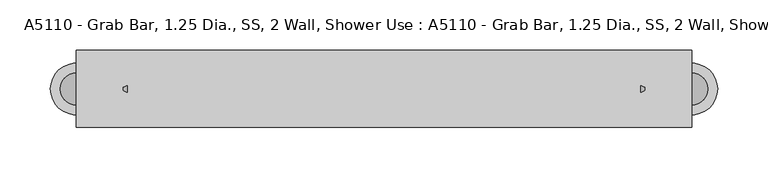
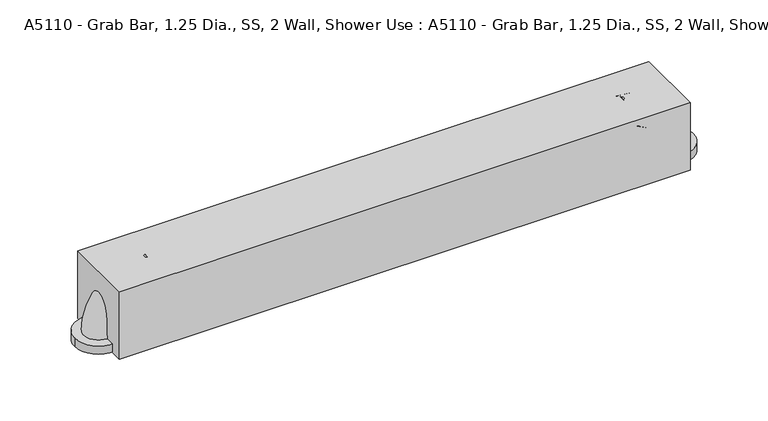
"""IFC4 building model written with IfcOpenShell, lengths in millimetres: proxy geometry, A5110 - Grab Bar, 1.25 Dia., SS, 2 Wall, Shower Use : A5110 - Grab Bar, 1.25 Dia., SS, 2 Wall, Shower Use."""

from ifc_helpers import new_model, si_unit, point, frame, frame_2d, origin, origin_with_axes, place, context, project, spatial, polyline, circle_curve, ellipse_curve, trimmed, segment, composite_curve, outline, extrude, source, transform, mapped, element, save
from ifc_brep_helpers import plane_surface, revolved_surface, advanced_brep


def a5110_grab_bar_1_25_dia_ss_2_wall_shower_use_a5110_grab_bar_766d70a6(model_context):
    return source(origin(), model_context, "Body", "SolidModel", [
        advanced_brep(
        [(254.0, -15.875, 60.325), (254.0, 15.875, 60.325), (304.8, -15.875, 9.525), (304.8, 15.875, 9.525)],
        [
            (0, 1, circle_curve(frame((254.0, 0.0, 60.325), z_axis=(-1.0, 0.0, 0.0), x_axis=(0.0, 1.0, 0.0)), 15.875)),
            (1, 0, circle_curve(frame((254.0, 0.0, 60.325), z_axis=(-1.0, 0.0, 0.0), x_axis=(0.0, 1.0, 0.0)), 15.875)),
            (2, 3, circle_curve(frame((304.8, 0.0, 9.525), z_axis=(0.0, 0.0, -1.0), x_axis=(0.0, 1.0, 0.0)), 15.875)),
            (3, 2, circle_curve(frame((304.8, 0.0, 9.525), z_axis=(0.0, 0.0, -1.0), x_axis=(0.0, 1.0, 0.0)), 15.875)),
            (3, 1, circle_curve(frame((254.0, 15.875, 9.525), z_axis=(0.0, -1.0, 0.0), x_axis=(0.0, 0.0, 1.0)), 50.8)),
            (0, 2, circle_curve(frame((254.0, -15.875, 9.525), z_axis=(0.0, 1.0, 0.0), x_axis=(0.0, 0.0, 1.0)), 50.8)),
        ],
        [
            plane_surface(frame((254.0, 0.0, 60.325), z_axis=(-1.0, 0.0, 0.0), x_axis=(0.0, 1.0, 0.0))),
            plane_surface(frame((304.8, 0.0, 9.525), z_axis=(0.0, 0.0, -1.0), x_axis=(0.0, 1.0, 0.0))),
            revolved_surface(trimmed(ellipse_curve(frame((254.0, 0.0, 60.325), z_axis=(-1.0, 0.0, 0.0), x_axis=(0.0, 1.0, 0.0)), 15.875, 15.875), [point((254.0, -15.875, 60.325))], [point((254.0, 15.875, 60.325))], True, "CARTESIAN"), (254.0, 0.0, 9.525), (0.0, 1.0, 0.0)),
            revolved_surface(trimmed(ellipse_curve(frame((254.0, 0.0, 60.325), z_axis=(-1.0, 0.0, 0.0), x_axis=(0.0, 1.0, 0.0)), 15.875, 15.875), [point((254.0, 15.875, 60.325))], [point((254.0, -15.875, 60.325))], True, "CARTESIAN"), (254.0, 0.0, 9.525), (0.0, 1.0, 0.0)),
        ],
        [
            (0, [[1, 2]]),
            (1, [[3, 4]]),
            (2, [[5, -1, 6, -4]]),
            (3, [[-6, -2, -5, -3]]),
        ],
    ),
        extrude(outline(composite_curve([segment(trimmed(circle_curve(frame_2d((304.8, 0.0)), 25.4), [point((330.2, 0.0))], [point((279.4, 0.0))], False, "CARTESIAN"), True, "CONTINUOUS"), segment(trimmed(circle_curve(frame_2d((304.8, 0.0)), 25.4), [point((279.4, 0.0))], [point((330.2, 0.0))], False, "CARTESIAN"), True, "CONTINUOUS")], self_intersect=False)), origin_with_axes(), (0.0, 0.0, 1.0), 9.525),
        advanced_brep(
        [(-254.0, -15.875, 60.325), (-254.0, 15.875, 60.325), (-304.8, -15.875, 9.525), (-304.8, 15.875, 9.525)],
        [
            (0, 1, circle_curve(frame((-254.0, 0.0, 60.325), z_axis=(1.0, 0.0, 0.0), x_axis=(0.0, 1.0, 0.0)), 15.875)),
            (1, 0, circle_curve(frame((-254.0, 0.0, 60.325), z_axis=(1.0, 0.0, 0.0), x_axis=(0.0, 1.0, 0.0)), 15.875)),
            (2, 3, circle_curve(frame((-304.8, 0.0, 9.525), z_axis=(0.0, 0.0, -1.0), x_axis=(0.0, 1.0, 0.0)), 15.875)),
            (3, 2, circle_curve(frame((-304.8, 0.0, 9.525), z_axis=(0.0, 0.0, -1.0), x_axis=(0.0, 1.0, 0.0)), 15.875)),
            (2, 0, circle_curve(frame((-254.0, -15.875, 9.525), z_axis=(0.0, 1.0, 0.0), x_axis=(0.0, 0.0, 1.0)), 50.8)),
            (1, 3, circle_curve(frame((-254.0, 15.875, 9.525), z_axis=(0.0, -1.0, 0.0), x_axis=(0.0, 0.0, 1.0)), 50.8)),
        ],
        [
            plane_surface(frame((-254.0, 0.0, 60.325), z_axis=(1.0, 0.0, 0.0), x_axis=(0.0, 1.0, 0.0))),
            plane_surface(frame((-304.8, 0.0, 9.525), z_axis=(0.0, 0.0, -1.0), x_axis=(0.0, 1.0, 0.0))),
            revolved_surface(trimmed(ellipse_curve(frame((-254.0, 0.0, 60.325), z_axis=(-1.0, 0.0, 0.0), x_axis=(0.0, 1.0, 0.0)), 15.875, 15.875), [point((-254.0, -15.875, 60.325))], [point((-254.0, 15.875, 60.325))], True, "CARTESIAN"), (-254.0, 0.0, 9.525), (0.0, 1.0, 0.0)),
            revolved_surface(trimmed(ellipse_curve(frame((-254.0, 0.0, 60.325), z_axis=(-1.0, 0.0, 0.0), x_axis=(0.0, 1.0, 0.0)), 15.875, 15.875), [point((-254.0, 15.875, 60.325))], [point((-254.0, -15.875, 60.325))], True, "CARTESIAN"), (-254.0, 0.0, 9.525), (0.0, 1.0, 0.0)),
        ],
        [
            (0, [[1, 2]]),
            (1, [[3, 4]]),
            (2, [[-3, 5, -2, 6]]),
            (3, [[-4, -6, -1, -5]]),
        ],
    ),
        extrude(outline(composite_curve([segment(trimmed(circle_curve(frame_2d((-304.8, 0.0)), 25.4), [point((-330.2, 0.0))], [point((-279.4, 0.0))], False, "CARTESIAN"), True, "CONTINUOUS"), segment(trimmed(circle_curve(frame_2d((-304.8, 0.0)), 25.4), [point((-279.4, 0.0))], [point((-330.2, 0.0))], False, "CARTESIAN"), True, "CONTINUOUS")], self_intersect=False)), origin_with_axes(), (0.0, 0.0, 1.0), 9.525),
        extrude(outline(polyline([(304.8, 38.1), (304.8, -38.1), (-304.8, -38.1), (-304.8, 38.1), (304.8, 38.1)])), origin_with_axes(), (0.0, 0.0, 1.0), 76.2),
        extrude(outline(composite_curve([segment(trimmed(circle_curve(frame_2d((0.0, 60.325)), 15.875), [point((15.875, 60.325))], [point((-15.875, 60.325))], False, "CARTESIAN"), True, "CONTINUOUS"), segment(trimmed(circle_curve(frame_2d((0.0, 60.325)), 15.875), [point((-15.875, 60.325))], [point((15.875, 60.325))], False, "CARTESIAN"), True, "CONTINUOUS")], self_intersect=False)), frame((-254.0, 0.0, 0.0), z_axis=(1.0, 0.0, 0.0), x_axis=(0.0, 1.0, 0.0)), (0.0, 0.0, 1.0), 508.0),
    ])


if __name__ == "__main__":
    model = new_model("IFC4")
    model_context = context("Model", 3, world=origin())
    ifc_project = project(units=[si_unit("LENGTHUNIT", "METRE", prefix="MILLI")], contexts=[model_context])
    site = spatial("IfcSite", under=ifc_project)
    building = spatial("IfcBuilding", under=site)
    placement = place(None, origin())
    a5110_grab_bar_1_25_dia_ss_2_wall_shower_use_a5110_grab_bar_shape = a5110_grab_bar_1_25_dia_ss_2_wall_shower_use_a5110_grab_bar_766d70a6(model_context)
    element("IfcBuildingElementProxy", 1, Name="A5110 - Grab Bar, 1.25 Dia., SS, 2 Wall, Shower Use : A5110 - Grab Bar, 1.25 Dia., SS, 2 Wall, Shower Use", ObjectType="A5110 - Grab Bar, 1.25 Dia., SS, 2 Wall, Shower Use : A5110 - Grab Bar, 1.25 Dia., SS, 2 Wall, Shower Use", at=placement, inside=building, context=model_context, shape_type="MappedRepresentation", body=[
        mapped(a5110_grab_bar_1_25_dia_ss_2_wall_shower_use_a5110_grab_bar_shape, transform((0.0, 0.0, 0.0), x_axis=(1.0, 0.0, 0.0), y_axis=(0.0, 1.0, 0.0), z_axis=(0.0, 0.0, 1.0))),
    ])
    save(model, "model.ifc")
